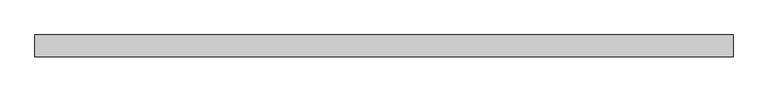
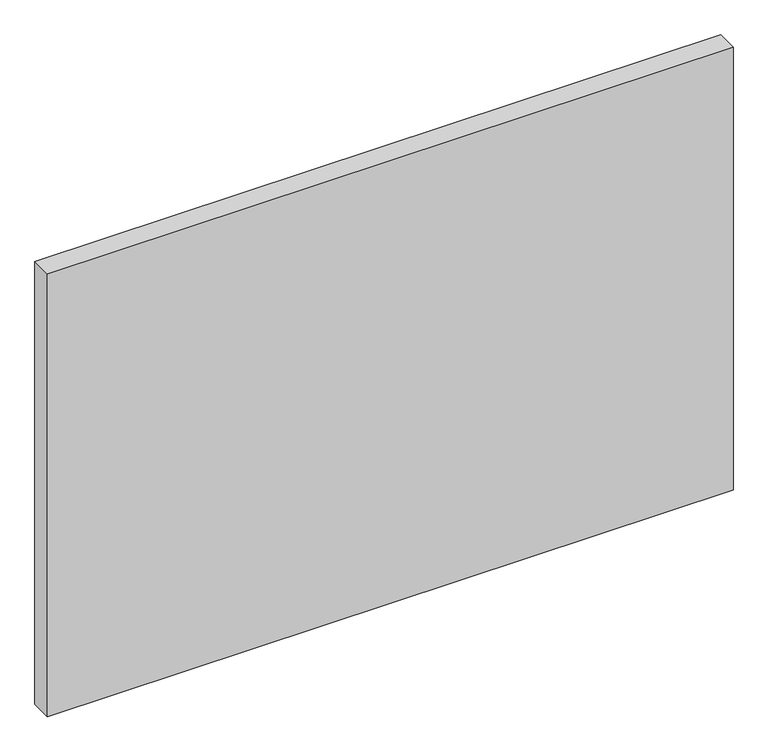
"""IFC4 building model written with IfcOpenShell, lengths in millimetres: plate geometry."""

from ifc_helpers import new_model, si_unit, origin, origin_with_axes, place, context, project, spatial, polyline, outline, extrude, source, transform, mapped, element, save


def plate_b91d36d7(model_context):
    return source(origin(), model_context, "Body", "SweptSolid", [
        extrude(outline(polyline([(794.3168429, -25.0), (-794.3168429, -25.0), (-794.3168429, 25.0), (794.3168429, 25.0), (794.3168429, -25.0)])), origin_with_axes(), (0.0, 0.0, 1.0), 1085.0),
    ])


if __name__ == "__main__":
    model = new_model("IFC4")
    model_context = context("Model", 3, world=origin())
    ifc_project = project(units=[si_unit("LENGTHUNIT", "METRE", prefix="MILLI")], contexts=[model_context])
    site = spatial("IfcSite", under=ifc_project)
    building = spatial("IfcBuilding", under=site)
    placement = place(None, origin())
    plate_shape = plate_b91d36d7(model_context)
    element("IfcPlate", 1, at=placement, inside=building, context=model_context, shape_type="MappedRepresentation", body=[
        mapped(plate_shape, transform((0.0, 0.0, 0.0), x_axis=(1.0, 0.0, 0.0), y_axis=(0.0, 1.0, 0.0), z_axis=(0.0, 0.0, 1.0))),
    ])
    save(model, "model.ifc")
